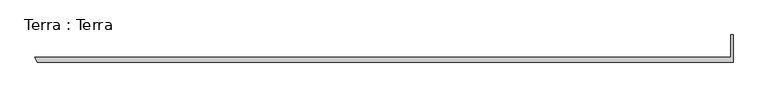
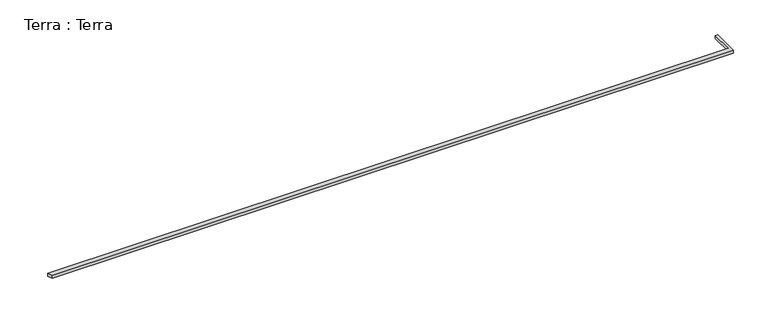
"""IFC4 building model written with IfcOpenShell, lengths in millimetres: proxy geometry, Terra : Terra."""

import ifcopenshell
import ifcopenshell.guid

model = None  # the IFC model being written
_history = None  # IfcOwnerHistory: only IFC2X3 demands one
_inside = {}  # id of a spatial element -> (the spatial element, [elements in it])
_under = {}  # id of a project, library or spatial element -> (it, [spatial elements below it])
_declared = {}  # id of a project -> (the project, [libraries it declares])
_typed = {}  # id of a type object -> (the type object, [elements of that type])
_made_of = {}  # id of a material, layer set ... -> (it, [elements and type objects made of it])


def new_model(schema):
    """Start an empty IFC model of exactly this schema.

    Asked for "IFC4X3", IfcOpenShell would pick the latest addendum, in which some entities
    have other attributes; the version numbers below select the first issue.
    IFC2X3 requires an IfcOwnerHistory on every rooted entity: one is made here for all.
    """
    global model, _history
    if schema == "IFC4X3":
        model = ifcopenshell.file(schema_version=(4, 3, 0, 0))
    else:
        model = ifcopenshell.file(schema=schema)
    _inside.clear()
    _under.clear()
    _declared.clear()
    _typed.clear()
    _made_of.clear()
    _history = None
    if model.schema == "IFC2X3":
        org = make("IfcOrganization", Name="unknown")
        user = make(
            "IfcPersonAndOrganization",
            ThePerson=make("IfcPerson", FamilyName="unknown"),
            TheOrganization=org,
        )
        app = make(
            "IfcApplication",
            ApplicationDeveloper=org,
            Version="unknown",
            ApplicationFullName="unknown",
            ApplicationIdentifier="unknown",
        )
        _history = make(
            "IfcOwnerHistory",
            OwningUser=user,
            OwningApplication=app,
            ChangeAction="ADDED",
            CreationDate=0,
        )
    return model


def make(cls, **values):
    """One entity of the class cls with the attributes given. An attribute that is None is left unset."""
    return model.create_entity(
        cls, **{name: value for name, value in values.items() if value is not None}
    )


def rooted(cls, **values):
    """An entity with a GlobalId (a new one), such as an element, a storey or a relation."""
    return make(cls, GlobalId=ifcopenshell.guid.new(), OwnerHistory=_history, **values)


def si_unit(unit_type, name, prefix=None):
    """IfcSIUnit, for example si_unit("LENGTHUNIT", "METRE", prefix="MILLI")."""
    return make("IfcSIUnit", UnitType=unit_type, Prefix=prefix, Name=name)


def assignment(units):
    """IfcUnitAssignment: the units of a project."""
    return None if units is None else make("IfcUnitAssignment", Units=units)


def point(xyz):
    """IfcCartesianPoint."""
    return None if xyz is None else make("IfcCartesianPoint", Coordinates=xyz)


def direction(xyz):
    """IfcDirection."""
    return None if xyz is None else make("IfcDirection", DirectionRatios=xyz)


def frame(location, z_axis=None, x_axis=None):
    """IfcAxis2Placement3D, a coordinate frame: its origin and axes. An axis left out is left unset."""
    return make(
        "IfcAxis2Placement3D",
        Location=point(location),
        Axis=direction(z_axis),
        RefDirection=direction(x_axis),
    )


def origin():
    """The frame at (0, 0, 0) with its axes left unset."""
    return frame((0.0, 0.0, 0.0))


def place(relative_to, where):
    """IfcLocalPlacement: puts the frame where relative to a parent placement (None: the world)."""
    return make(
        "IfcLocalPlacement", PlacementRelTo=relative_to, RelativePlacement=where
    )


def context(
    kind, dimensions, precision=None, world=None, true_north=None, identifier=None
):
    """IfcGeometricRepresentationContext, for example the 3D "Model" context."""
    return make(
        "IfcGeometricRepresentationContext",
        ContextIdentifier=identifier,
        ContextType=kind,
        CoordinateSpaceDimension=dimensions,
        Precision=precision,
        WorldCoordinateSystem=world,
        TrueNorth=true_north,
    )


def project(units=None, contexts=None):
    """IfcProject with its units and contexts."""
    return rooted(
        "IfcProject",
        Name="project",
        RepresentationContexts=contexts,
        UnitsInContext=assignment(units),
    )


def spatial(cls, under=None, at=None, **own):
    """A site, building, storey or space (cls), placed at a placement, below another one or the project."""
    s = rooted(cls, ObjectPlacement=at, **own)
    if under is not None:
        _under.setdefault(under.id(), (under, []))[1].append(s)
    return s


def polyline(points):
    """IfcPolyline through the points."""
    return make("IfcPolyline", Points=[point(p) for p in points])


def outline(outer, holes=None, kind="AREA"):
    """IfcArbitraryClosedProfileDef: a profile drawn as a closed curve; with holes, ...WithVoids."""
    if holes is None:
        return make("IfcArbitraryClosedProfileDef", ProfileType=kind, OuterCurve=outer)
    return make(
        "IfcArbitraryProfileDefWithVoids",
        ProfileType=kind,
        OuterCurve=outer,
        InnerCurves=holes,
    )


def extrude(swept, where, along, depth):
    """IfcExtrudedAreaSolid: the profile swept, set in the frame where, extruded along a direction by depth."""
    return make(
        "IfcExtrudedAreaSolid",
        SweptArea=swept,
        Position=where,
        ExtrudedDirection=direction(along),
        Depth=depth,
    )


def shape(context_of_items, identifier, shape_type, items):
    """IfcShapeRepresentation: the items that make up one representation, for example the "Body"."""
    return make(
        "IfcShapeRepresentation",
        ContextOfItems=context_of_items,
        RepresentationIdentifier=identifier,
        RepresentationType=shape_type,
        Items=items,
    )


def source(mapping_origin, context_of_items, identifier, shape_type, items):
    """IfcRepresentationMap: a shape defined once, which mapped items show again and again."""
    return make(
        "IfcRepresentationMap",
        MappingOrigin=mapping_origin,
        MappedRepresentation=shape(context_of_items, identifier, shape_type, items),
    )


def transform(
    local_origin,
    x_axis=None,
    y_axis=None,
    z_axis=None,
    scale=None,
    scale2=None,
    scale3=None,
    uniform=True,
):
    """IfcCartesianTransformationOperator3D, or its non-uniform kind. x_axis, y_axis, z_axis: its Axis1, 2, 3."""
    if uniform:
        return make(
            "IfcCartesianTransformationOperator3D",
            Axis1=direction(x_axis),
            Axis2=direction(y_axis),
            LocalOrigin=point(local_origin),
            Scale=scale,
            Axis3=direction(z_axis),
        )
    return make(
        "IfcCartesianTransformationOperator3DnonUniform",
        Axis1=direction(x_axis),
        Axis2=direction(y_axis),
        LocalOrigin=point(local_origin),
        Scale=scale,
        Axis3=direction(z_axis),
        Scale2=scale2,
        Scale3=scale3,
    )


def mapped(mapping_source, mapping_target):
    """IfcMappedItem: shows the shape of a source again, moved by a transform."""
    return make(
        "IfcMappedItem", MappingSource=mapping_source, MappingTarget=mapping_target
    )


def made_of(thing, what):
    """Note that an element or type object is made of a material, layer set ...; save() writes the relation."""
    if what is not None:
        _made_of.setdefault(what.id(), (what, []))[1].append(thing)
    return thing


def element(
    cls,
    number,
    at=None,
    inside=None,
    cuts=None,
    type_object=None,
    material=None,
    context=None,
    identifier="Body",
    shape_type=None,
    held_by="IfcProductDefinitionShape",
    body=None,
    shapes=None,
    **own,
):
    """One element of the class cls, such as IfcWall. Its Tag is "e" and its number.

    at: its placement. inside: the storey or other place that contains it. cuts: it is an
    opening in that element (IfcRelVoidsElement). A single representation is given by context,
    identifier, shape_type and body (its items); several are given by shapes. held_by: the class
    of the entity that holds the representations. save() writes the other relations.
    """
    e = rooted(cls, Tag="e%d" % number, ObjectPlacement=at, **own)
    if body is not None:
        shapes = [shape(context, identifier, shape_type, body)]
    if shapes is not None:
        e.Representation = make(held_by, Representations=shapes)
    if inside is not None:
        _inside.setdefault(inside.id(), (inside, []))[1].append(e)
    if cuts is not None:
        rooted(
            "IfcRelVoidsElement", RelatingBuildingElement=cuts, RelatedOpeningElement=e
        )
    if type_object is not None:
        _typed.setdefault(type_object.id(), (type_object, []))[1].append(e)
    return made_of(e, material)


def aggregate(whole, parts):
    """IfcRelAggregates: a whole, such as a stair, and the parts it consists of."""
    return rooted("IfcRelAggregates", RelatingObject=whole, RelatedObjects=parts)


def save(model, path):
    """Write the relations noted so far, then the file.

    IfcRelAggregates (storeys below a building ...), IfcRelContainedInSpatialStructure (elements
    in a storey), IfcRelDefinesByType, IfcRelAssociatesMaterial and IfcRelDeclares: one each for
    every whole, place, type object, material and project.
    """
    for whole, parts in _under.values():
        aggregate(whole, parts)
    for where, things in _inside.values():
        rooted(
            "IfcRelContainedInSpatialStructure",
            RelatedElements=things,
            RelatingStructure=where,
        )
    for kind, things in _typed.values():
        rooted("IfcRelDefinesByType", RelatedObjects=things, RelatingType=kind)
    for what, things in _made_of.values():
        rooted("IfcRelAssociatesMaterial", RelatedObjects=things, RelatingMaterial=what)
    for by, libraries in _declared.values():
        rooted("IfcRelDeclares", RelatingContext=by, RelatedDefinitions=libraries)
    model.write(path)


def terra_terra_f2ddfd6d(model_context):
    return source(origin(), model_context, "Body", "SweptSolid", [
        extrude(outline(polyline([(-24241.9207178, -6518.2649151), (-24346.9232382, -6295.7649151), (9651.2485729, -6295.7649151), (9651.2485729, -5191.9639151), (9775.5768229, -5191.9639151), (9775.5768229, -6518.2649151), (-24241.9207178, -6518.2649151)])), frame((0.0, 0.0, 5384.32), z_axis=(0.0, 0.0, 1.0), x_axis=(1.0, 0.0, 0.0)), (0.0, 0.0, 1.0), 155.3115802),
    ])


if __name__ == "__main__":
    model = new_model("IFC4")
    model_context = context("Model", 3, world=origin())
    ifc_project = project(units=[si_unit("LENGTHUNIT", "METRE", prefix="MILLI")], contexts=[model_context])
    site = spatial("IfcSite", under=ifc_project)
    building = spatial("IfcBuilding", under=site)
    placement = place(None, origin())
    terra_terra_shape = terra_terra_f2ddfd6d(model_context)
    element("IfcBuildingElementProxy", 1, Name="Terra : Terra", ObjectType="Terra : Terra", at=placement, inside=building, context=model_context, shape_type="MappedRepresentation", body=[
        mapped(terra_terra_shape, transform((0.0, 0.0, 0.0), x_axis=(1.0, 0.0, 0.0), y_axis=(0.0, 1.0, 0.0), z_axis=(0.0, 0.0, 1.0))),
    ])
    save(model, "model.ifc")
